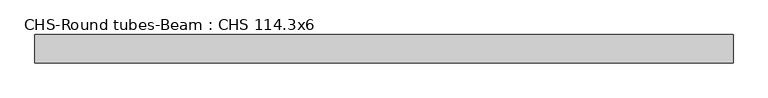
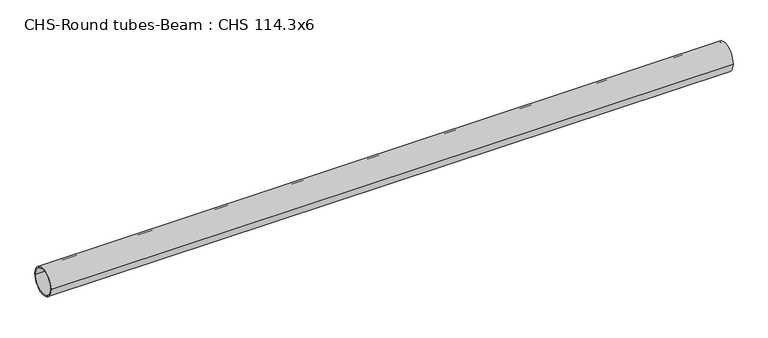
"""IFC4 building model written with IfcOpenShell, lengths in millimetres: beam geometry, CHS-Round tubes-Beam : CHS 114.3x6."""

from ifc_helpers import new_model, si_unit, point, frame, origin, origin_2d, place, context, project, spatial, circle_curve, trimmed, segment, composite_curve, outline, extrude, source, transform, mapped, element, save


def chs_round_tubes_beam_chs_114_3x6_7a18f1ed(model_context):
    return source(origin(), model_context, "Body", "SweptSolid", [
        extrude(outline(composite_curve([segment(trimmed(circle_curve(origin_2d(), 57.15), [point((57.15, 0.0))], [point((-57.15, 0.0))], False, "CARTESIAN"), True, "CONTINUOUS"), segment(trimmed(circle_curve(origin_2d(), 57.15), [point((-57.15, 0.0))], [point((57.15, 0.0))], False, "CARTESIAN"), True, "CONTINUOUS")], self_intersect=False), holes=[composite_curve([segment(trimmed(circle_curve(origin_2d(), 51.15), [point((51.15, 0.0))], [point((-51.15, 0.0))], True, "CARTESIAN"), True, "CONTINUOUS"), segment(trimmed(circle_curve(origin_2d(), 51.15), [point((-51.15, 0.0))], [point((51.15, 0.0))], True, "CARTESIAN"), True, "CONTINUOUS")], self_intersect=False)]), frame((-1353.9068191, 0.0, 0.0), z_axis=(1.0, 0.0, 0.0), x_axis=(0.0, 1.0, 0.0)), (0.0, 0.0, 1.0), 2795.3915776),
    ])


if __name__ == "__main__":
    model = new_model("IFC4")
    model_context = context("Model", 3, world=origin())
    ifc_project = project(units=[si_unit("LENGTHUNIT", "METRE", prefix="MILLI")], contexts=[model_context])
    site = spatial("IfcSite", under=ifc_project)
    building = spatial("IfcBuilding", under=site)
    placement = place(None, origin())
    chs_round_tubes_beam_chs_114_3x6_shape = chs_round_tubes_beam_chs_114_3x6_7a18f1ed(model_context)
    element("IfcBeam", 1, ObjectType="CHS-Round tubes-Beam : CHS 114.3x6", at=placement, inside=building, context=model_context, shape_type="MappedRepresentation", body=[
        mapped(chs_round_tubes_beam_chs_114_3x6_shape, transform((0.0, 0.0, 0.0), x_axis=(1.0, 0.0, 0.0), y_axis=(0.0, 1.0, 0.0), z_axis=(0.0, 0.0, 1.0))),
    ])
    save(model, "model.ifc")
